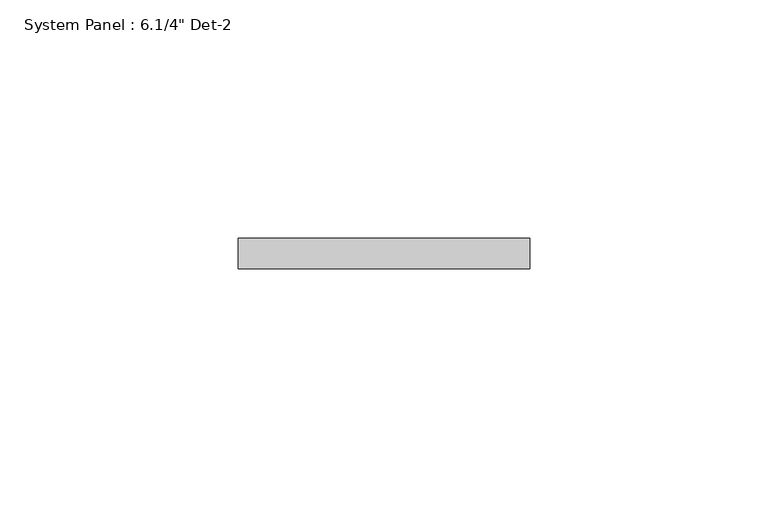
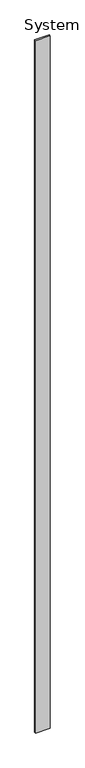
"""IFC4 building model written with IfcOpenShell, lengths in millimetres: plate geometry."""

from ifc_helpers import new_model, si_unit, origin, origin_with_axes, place, context, project, spatial, polyline, outline, extrude, source, transform, mapped, element, save


def plate_01a42c48(model_context):
    return source(origin(), model_context, "Body", "SweptSolid", [
        extrude(outline(polyline([(30.5351245, 0.0), (-30.5351245, 0.0), (-30.5351245, 6.35), (30.5351245, 6.35), (30.5351245, 0.0)])), origin_with_axes(), (0.0, 0.0, 1.0), 3048.0),
    ])


if __name__ == "__main__":
    model = new_model("IFC4")
    model_context = context("Model", 3, world=origin())
    ifc_project = project(units=[si_unit("LENGTHUNIT", "METRE", prefix="MILLI")], contexts=[model_context])
    site = spatial("IfcSite", under=ifc_project)
    building = spatial("IfcBuilding", under=site)
    placement = place(None, origin())
    plate_shape = plate_01a42c48(model_context)
    element("IfcPlate", 1, ObjectType="System Panel : 6.1/4\" Det-2", at=placement, inside=building, context=model_context, shape_type="MappedRepresentation", body=[
        mapped(plate_shape, transform((0.0, 0.0, 0.0), x_axis=(1.0, 0.0, 0.0), y_axis=(0.0, 1.0, 0.0), z_axis=(0.0, 0.0, 1.0))),
    ])
    save(model, "model.ifc")
